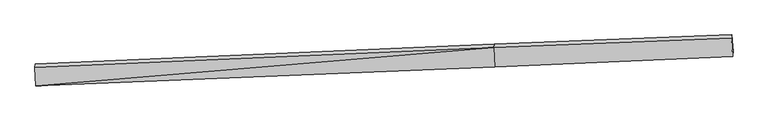
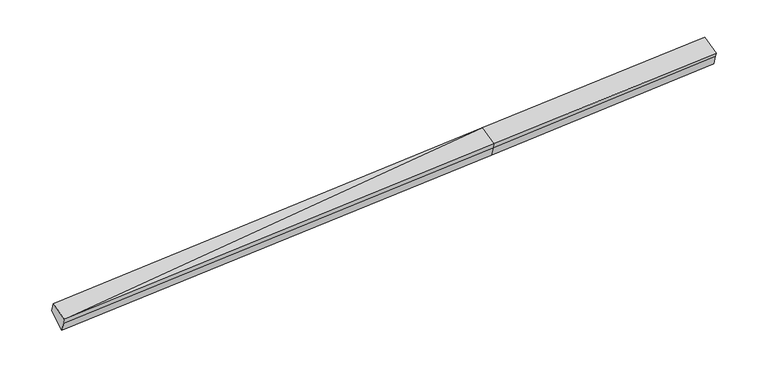
"""IFC4 building model written with IfcOpenShell, lengths in millimetres: proxy geometry."""

from ifc_helpers import new_model, si_unit, frame, origin, place, context, project, spatial, source, transform, mapped, element, save
from ifc_brep_helpers import plane_surface, spline_surface, advanced_brep


def generic_models_77efe065(model_context):
    return source(origin(), model_context, "Body", "AdvancedBrep", [
        advanced_brep(
        [(-13668.9640125, -2560.9152743, 1425.5596868), (-13663.2621595, -2494.641063, 1236.9457483), (2625.2674308, -1807.4192903, 1981.4288043), (2619.4230315, -1875.3503569, 2174.7580912), (-13706.7016508, -1901.1024397, 1656.2605625), (2580.3376204, -1191.9727783, 2413.6982839), (-13695.9689376, -1776.3531503, 1301.2287283), (2591.2128799, -1065.5666335, 2053.9511012), (-13652.3097566, -2367.3382596, 874.6467086), (2636.4313173, -1677.6583539, 1612.1340094), (11029.502107, -731.2342281, 2447.7263509), (11019.0700245, -844.6431476, 2785.5446547), (11057.0772174, -1509.168931, 2553.1959156), (11062.208885, -1449.5221408, 2383.443371), (11073.1612879, -1322.2193374, 2021.1443313)],
        [
            (0, 1),
            (1, 2),
            (2, 3),
            (3, 0),
            (4, 0),
            (0, 5),
            (5, 4),
            (6, 4),
            (5, 7),
            (7, 6),
            (8, 6),
            (7, 9),
            (9, 8),
            (1, 8),
            (9, 2),
            (10, 11),
            (11, 12),
            (12, 13),
            (13, 14),
            (14, 10),
            (3, 5),
            (5, 11),
            (10, 7),
            (3, 12),
            (2, 13),
            (9, 14),
        ],
        [
            plane_surface(frame((-13666.113086, -2527.7781686, 1331.2527176), z_axis=(0.05482829562891656, -0.9425512718764093, -0.32953142169236554), x_axis=(0.028509264697296133, 0.33137105661377897, -0.9430696923690673))),
            plane_surface(frame((-13687.8328316, -2231.008857, 1540.9101246), z_axis=(-0.029426659147829777, -0.33140901026308467, 0.9430281754262914), x_axis=(0.053910911907745336, -0.9425897636319375, -0.3295726795011437))),
            plane_surface(frame((-13701.3352942, -1838.727795, 1478.7446454), z_axis=(-0.056357160977381075, 0.9424853497172976, 0.3294620402638717), x_axis=(-0.028509264697297233, -0.33137105661377825, 0.9430696923690676))),
            plane_surface(frame((-13674.1393471, -2071.8457049, 1087.9377184), z_axis=(0.011886151100046816, 0.5858094367919227, -0.8103616619618412), x_axis=(-0.059793536475035776, 0.8093850803104236, 0.5842264327867217))),
            plane_surface(frame((-13657.7859581, -2430.9896613, 1055.7962285), z_axis=(0.05482829562891652, -0.9425512718764096, -0.3295314216923644), x_axis=(0.028509264697298062, 0.3313710566137779, -0.9430696923690677))),
            plane_surface(frame((11044.7026592, -1101.816411, 2451.9028131), z_axis=(0.9981386854559312, 0.04144587235127964, 0.04473705691423292), x_axis=(-0.029262576204555277, -0.31811837759010436, 0.9475992821194582))),
            plane_surface(frame((-13680.9860894, -2151.427281, 1314.4239215), z_axis=(-0.9981386854559313, -0.04144587235127757, -0.04473705691422791), x_axis=(-0.028509264697297535, -0.33137105661377836, 0.9430696923690675))),
            plane_surface(frame((-13668.9640125, -2560.9152743, 1425.5596868), z_axis=(-0.029426659147829853, -0.3314090102630843, 0.9430281754262918), x_axis=(0.053910911907748625, -0.9425897636319377, -0.3295726795011431))),
            spline_surface(1, 1, [[(2591.2128799, -1065.5666335, 2053.9511012), (11029.502107, -731.2342281, 2447.7263509)], [(2580.3376204, -1191.9727783, 2413.6982839), (11019.0700245, -844.6431476, 2785.5446547)]], [2, 2], [2, 2], [0.0, 1.0], [0.0, 1.0]),
            plane_surface(frame((2599.880326, -1533.6615676, 2294.2281875), z_axis=(-0.027918928563854598, -0.3313464862436441, 0.9430959863565518), x_axis=(0.05391091190774899, -0.9425897636319367, -0.32957267950114555))),
            plane_surface(frame((2622.3452312, -1841.3848236, 2078.0934478), z_axis=(0.05568181801267317, -0.9425147427979923, -0.3294927840655062), x_axis=(0.028509264697293573, 0.33137105661377847, -0.9430696923690676))),
            plane_surface(frame((2630.8493741, -1742.5388221, 1796.7814068), z_axis=(0.05568181801267315, -0.9425147427979925, -0.3294927840655054), x_axis=(0.028509264697299624, 0.331371056613778, -0.9430696923690676))),
            plane_surface(frame((2613.8220986, -1371.6124937, 1833.0425553), z_axis=(0.014595309708519206, 0.5859199479725044, -0.8102374908027956), x_axis=(-0.05979353647503419, 0.8093850803104222, 0.5842264327867237))),
        ],
        [
            (0, [[1, 2, 3, 4]]),
            (1, [[5, 6, 7]]),
            (2, [[8, -7, 9, 10]]),
            (3, [[11, -10, 12, 13]]),
            (4, [[14, -13, 15, -2]]),
            (5, [[16, 17, 18, 19, 20]]),
            (6, [[-1, -5, -8, -11, -14]]),
            (7, [[21, -6, -4]]),
            (8, [[-9, 22, -16, 23]]),
            (9, [[-21, 24, -17, -22]]),
            (10, [[-3, 25, -18, -24]]),
            (11, [[-15, 26, -19, -25]]),
            (12, [[-12, -23, -20, -26]]),
        ],
    ),
    ])


if __name__ == "__main__":
    model = new_model("IFC4")
    model_context = context("Model", 3, world=origin())
    ifc_project = project(units=[si_unit("LENGTHUNIT", "METRE", prefix="MILLI")], contexts=[model_context])
    site = spatial("IfcSite", under=ifc_project)
    building = spatial("IfcBuilding", under=site)
    placement = place(None, origin())
    generic_models_shape = generic_models_77efe065(model_context)
    element("IfcBuildingElementProxy", 1, Name="Generic Models", at=placement, inside=building, context=model_context, shape_type="MappedRepresentation", body=[
        mapped(generic_models_shape, transform((0.0, 0.0, 0.0), x_axis=(1.0, 0.0, 0.0), y_axis=(0.0, 1.0, 0.0), z_axis=(0.0, 0.0, 1.0))),
    ])
    save(model, "model.ifc")
